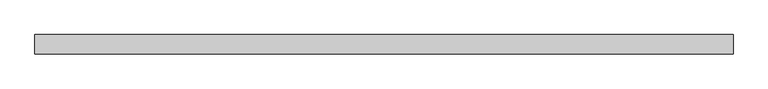
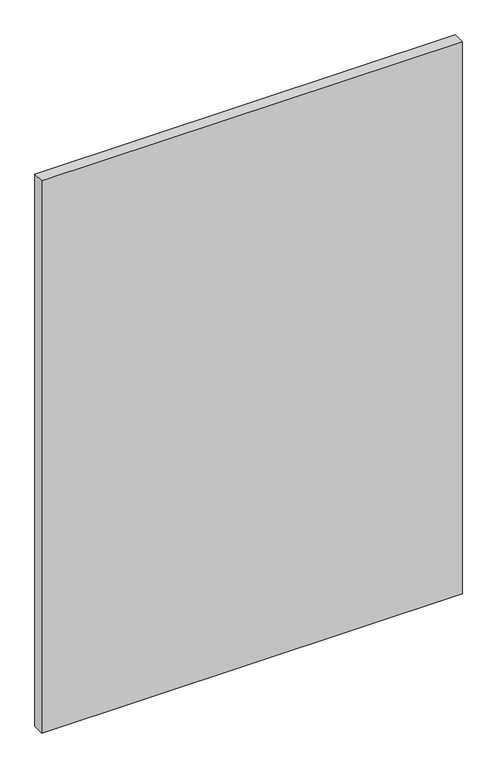
"""IFC4 building model written with IfcOpenShell, lengths in millimetres: proxy geometry."""

from ifc_helpers import new_model, si_unit, origin, origin_with_axes, place, context, project, spatial, polyline, outline, extrude, source, transform, mapped, element, save


def generic_models_3b5f73bb(model_context):
    return source(origin(), model_context, "Body", "SweptSolid", [
        extrude(outline(polyline([(-899.999995, -24.9999887), (-899.9999954, 25.0000534), (899.999995, 24.9999887), (899.9999954, -25.0000534), (-899.999995, -24.9999887)])), origin_with_axes(), (0.0, 0.0, 1.0), 2500.0),
    ])


if __name__ == "__main__":
    model = new_model("IFC4")
    model_context = context("Model", 3, world=origin())
    ifc_project = project(units=[si_unit("LENGTHUNIT", "METRE", prefix="MILLI")], contexts=[model_context])
    site = spatial("IfcSite", under=ifc_project)
    building = spatial("IfcBuilding", under=site)
    placement = place(None, origin())
    generic_models_shape = generic_models_3b5f73bb(model_context)
    element("IfcBuildingElementProxy", 1, Name="Generic Models", at=placement, inside=building, context=model_context, shape_type="MappedRepresentation", body=[
        mapped(generic_models_shape, transform((0.0, 0.0, 0.0), x_axis=(1.0, 0.0, 0.0), y_axis=(0.0, 1.0, 0.0), z_axis=(0.0, 0.0, 1.0))),
    ])
    save(model, "model.ifc")
